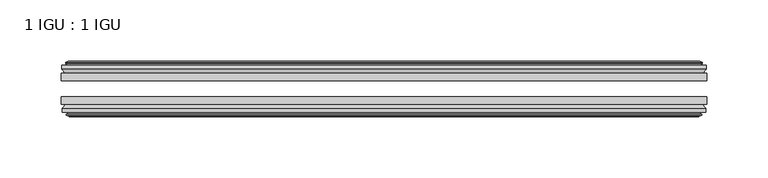
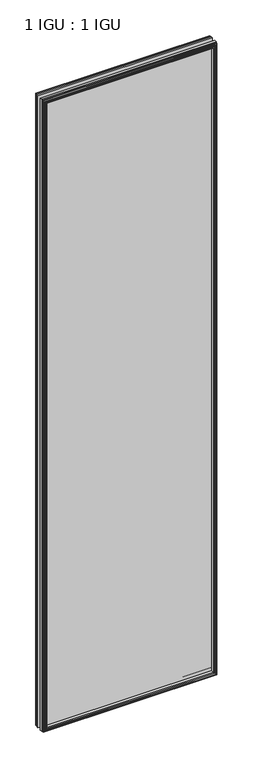
"""IFC4 building model written with IfcOpenShell, lengths in millimetres: plate geometry, 1 IGU : 1 IGU."""

from ifc_helpers import new_model, si_unit, frame, origin, place, context, project, spatial, polyline, outline, extrude, faceted_brep, source, transform, mapped, element, save


def plate_1_igu_1_igu_2eecae48(model_context):
    return source(origin(), model_context, "Body", "SolidModel", [
        extrude(outline(polyline([(263.5317469, -19.5460937), (263.5317469, -25.8960938), (-263.5317469, -25.8960938), (-263.5317469, -19.5460937), (263.5317469, -19.5460937)])), frame((0.0, 0.0, -12.7), z_axis=(0.0, 0.0, 1.0), x_axis=(1.0, 0.0, 0.0)), (0.0, 0.0, 1.0), 2019.3),
        extrude(outline(polyline([(-263.5317469, -44.9460938), (-263.5317469, -38.9186737), (263.5317469, -38.9186737), (263.5317469, -44.9460938), (-263.5317469, -44.9460938)])), frame((0.0, 0.0, -12.7), z_axis=(0.0, 0.0, 1.0), x_axis=(1.0, 0.0, 0.0)), (0.0, 0.0, 1.0), 2019.3),
        faceted_brep([(-257.9437469, -53.6762907, 2001.012), (-258.3247469, -51.2960937, 2001.393), (-258.3247469, -51.2960937, -7.493), (-257.9437469, -53.6762907, -7.112), (-259.3592759, -53.2163575, 2002.4275291), (-259.3592759, -53.2163575, -8.5275291), (-259.3592759, -54.0175717, 2002.4275291), (-259.3592759, -54.0175717, -8.5275291), (-257.1817469, -54.7250937, 2000.25), (-257.1817469, -54.7250937, -6.35), (-255.0042178, -54.0175717, 1998.0724709), (-255.0042178, -54.0175717, -4.1724709), (-255.0042178, -53.2163575, 1998.0724709), (-255.0042178, -53.2163575, -4.1724709), (-256.4197469, -53.6762907, 1999.488), (-256.4197469, -53.6762907, -5.588), (-256.0387469, -51.2960937, 1999.107), (-256.0387469, -51.2960937, -5.207), (-249.1140288, -44.9460937, 1992.1822819), (-250.8317469, -51.2960937, 1993.9), (-250.8317469, -51.2960937, 0.0), (-249.1140288, -44.9460937, 1.7177181), (-262.7697469, -48.3496937, 2005.838), (-259.9354047, -44.9460937, 2003.0036578), (-259.9354047, -44.9460937, -9.1036578), (-262.7697469, -48.3496937, -11.938), (-262.7697469, -51.2960937, 2005.838), (-262.7697469, -51.2960937, -11.938), (258.3247469, -51.2960938, -7.493), (257.9437469, -53.6762907, -7.112), (259.3592759, -53.2163575, -8.5275291), (259.3592759, -54.0175717, -8.5275291), (257.1817469, -54.7250937, -6.35), (255.0042178, -54.0175717, -4.1724709), (255.0042178, -53.2163575, -4.1724709), (256.4197469, -53.6762907, -5.588), (256.0387469, -51.2960937, -5.207), (250.8317469, -51.2960937, 0.0), (249.1140288, -44.9460937, 1.7177181), (259.9354047, -44.9460937, -9.1036578), (262.7697469, -48.3496937, -11.938), (262.7697469, -51.2960938, -11.938), (258.3247469, -51.2960938, 2001.393), (257.9437469, -53.6762907, 2001.012), (259.3592759, -53.2163575, 2002.4275291), (259.3592759, -54.0175717, 2002.4275291), (257.1817469, -54.7250937, 2000.25), (255.0042178, -54.0175717, 1998.0724709), (255.0042178, -53.2163575, 1998.0724709), (256.4197469, -53.6762907, 1999.488), (256.0387469, -51.2960937, 1999.107), (250.8317469, -51.2960937, 1993.9), (249.1140288, -44.9460937, 1992.1822819), (259.9354047, -44.9460937, 2003.0036578), (262.7697469, -48.3496937, 2005.838), (262.7697469, -51.2960938, 2005.838)], [[[0, 1, 2, 3]], [[4, 0, 3, 5]], [[6, 4, 5, 7]], [[8, 6, 7, 9]], [[10, 8, 9, 11]], [[12, 10, 11, 13]], [[14, 12, 13, 15]], [[16, 14, 15, 17]], [[18, 19, 20, 21]], [[22, 23, 24, 25]], [[26, 22, 25, 27]], [[3, 2, 28, 29]], [[5, 3, 29, 30]], [[7, 5, 30, 31]], [[9, 7, 31, 32]], [[11, 9, 32, 33]], [[13, 11, 33, 34]], [[15, 13, 34, 35]], [[17, 15, 35, 36]], [[21, 20, 37, 38]], [[25, 24, 39, 40]], [[27, 25, 40, 41]], [[29, 28, 42, 43]], [[30, 29, 43, 44]], [[31, 30, 44, 45]], [[32, 31, 45, 46]], [[33, 32, 46, 47]], [[34, 33, 47, 48]], [[35, 34, 48, 49]], [[36, 35, 49, 50]], [[38, 37, 51, 52]], [[40, 39, 53, 54]], [[41, 40, 54, 55]], [[27, 41, 55, 26], [1, 42, 28, 2]], [[43, 42, 1, 0]], [[44, 43, 0, 4]], [[45, 44, 4, 6]], [[46, 45, 6, 8]], [[47, 46, 8, 10]], [[48, 47, 10, 12]], [[49, 48, 12, 14]], [[50, 49, 14, 16]], [[17, 36, 50, 16], [19, 51, 37, 20]], [[52, 51, 19, 18]], [[23, 53, 39, 24], [21, 38, 52, 18]], [[54, 53, 23, 22]], [[55, 54, 22, 26]]]),
        faceted_brep([(-260.4561047, -19.5460937, 2003.5243578), (-263.2904469, -16.1424937, 2006.3587), (-263.2904469, -16.1424937, -12.4587), (-260.4561047, -19.5460937, -9.6243578), (-251.3524469, -13.1960937, 1994.4207), (-249.6347288, -19.5460937, 1992.7029819), (-249.6347288, -19.5460937, 1.1970181), (-251.3524469, -13.1960937, -0.5207), (-256.9404469, -10.8158968, 2000.0087), (-256.5594469, -13.1960937, 1999.6277), (-256.5594469, -13.1960937, -5.7277), (-256.9404469, -10.8158968, -6.1087), (-255.5249178, -11.27583, 1998.5931709), (-255.5249178, -11.27583, -4.6931709), (-255.5249178, -10.4746158, 1998.5931709), (-255.5249178, -10.4746158, -4.6931709), (-257.7024469, -9.7670937, 2000.7707), (-257.7024469, -9.7670937, -6.8707), (-259.8799759, -10.4746158, 2002.9482291), (-259.8799759, -10.4746158, -9.0482291), (-259.8799759, -11.27583, 2002.9482291), (-259.8799759, -11.27583, -9.0482291), (-258.4644469, -10.8158968, 2001.5327), (-258.4644469, -10.8158968, -7.6327), (-258.8454469, -13.1960937, 2001.9137), (-258.8454469, -13.1960937, -8.0137), (-263.2904469, -13.1960937, 2006.3587), (-263.2904469, -13.1960937, -12.4587), (263.2904469, -16.1424937, -12.4587), (260.4561047, -19.5460937, -9.6243578), (249.6347288, -19.5460937, 1.1970181), (251.3524469, -13.1960937, -0.5207), (256.5594469, -13.1960937, -5.7277), (256.9404469, -10.8158968, -6.1087), (255.5249178, -11.27583, -4.6931709), (255.5249178, -10.4746158, -4.6931709), (257.7024469, -9.7670937, -6.8707), (259.8799759, -10.4746158, -9.0482291), (259.8799759, -11.27583, -9.0482291), (258.4644469, -10.8158968, -7.6327), (258.8454469, -13.1960937, -8.0137), (263.2904469, -13.1960937, -12.4587), (263.2904469, -16.1424937, 2006.3587), (260.4561047, -19.5460937, 2003.5243578), (249.6347288, -19.5460937, 1992.7029819), (251.3524469, -13.1960937, 1994.4207), (256.5594469, -13.1960937, 1999.6277), (256.9404469, -10.8158968, 2000.0087), (255.5249178, -11.27583, 1998.5931709), (255.5249178, -10.4746158, 1998.5931709), (257.7024469, -9.7670937, 2000.7707), (259.8799759, -10.4746158, 2002.9482291), (259.8799759, -11.27583, 2002.9482291), (258.4644469, -10.8158968, 2001.5327), (258.8454469, -13.1960937, 2001.9137), (263.2904469, -13.1960937, 2006.3587)], [[[0, 1, 2, 3]], [[4, 5, 6, 7]], [[8, 9, 10, 11]], [[12, 8, 11, 13]], [[14, 12, 13, 15]], [[16, 14, 15, 17]], [[18, 16, 17, 19]], [[20, 18, 19, 21]], [[22, 20, 21, 23]], [[24, 22, 23, 25]], [[1, 26, 27, 2]], [[3, 2, 28, 29]], [[7, 6, 30, 31]], [[11, 10, 32, 33]], [[13, 11, 33, 34]], [[15, 13, 34, 35]], [[17, 15, 35, 36]], [[19, 17, 36, 37]], [[21, 19, 37, 38]], [[23, 21, 38, 39]], [[25, 23, 39, 40]], [[2, 27, 41, 28]], [[29, 28, 42, 43]], [[31, 30, 44, 45]], [[33, 32, 46, 47]], [[34, 33, 47, 48]], [[35, 34, 48, 49]], [[36, 35, 49, 50]], [[37, 36, 50, 51]], [[38, 37, 51, 52]], [[39, 38, 52, 53]], [[40, 39, 53, 54]], [[28, 41, 55, 42]], [[43, 42, 1, 0]], [[3, 29, 43, 0], [5, 44, 30, 6]], [[45, 44, 5, 4]], [[9, 46, 32, 10], [7, 31, 45, 4]], [[47, 46, 9, 8]], [[48, 47, 8, 12]], [[49, 48, 12, 14]], [[50, 49, 14, 16]], [[51, 50, 16, 18]], [[52, 51, 18, 20]], [[53, 52, 20, 22]], [[54, 53, 22, 24]], [[26, 55, 41, 27], [25, 40, 54, 24]], [[42, 55, 26, 1]]]),
    ])


if __name__ == "__main__":
    model = new_model("IFC4")
    model_context = context("Model", 3, world=origin())
    ifc_project = project(units=[si_unit("LENGTHUNIT", "METRE", prefix="MILLI")], contexts=[model_context])
    site = spatial("IfcSite", under=ifc_project)
    building = spatial("IfcBuilding", under=site)
    placement = place(None, origin())
    plate_1_igu_1_igu_shape = plate_1_igu_1_igu_2eecae48(model_context)
    element("IfcPlate", 1, ObjectType="1 IGU : 1 IGU", at=placement, inside=building, context=model_context, shape_type="MappedRepresentation", body=[
        mapped(plate_1_igu_1_igu_shape, transform((0.0, 0.0, 0.0), x_axis=(1.0, 0.0, 0.0), y_axis=(0.0, 1.0, 0.0), z_axis=(0.0, 0.0, 1.0))),
    ])
    save(model, "model.ifc")
